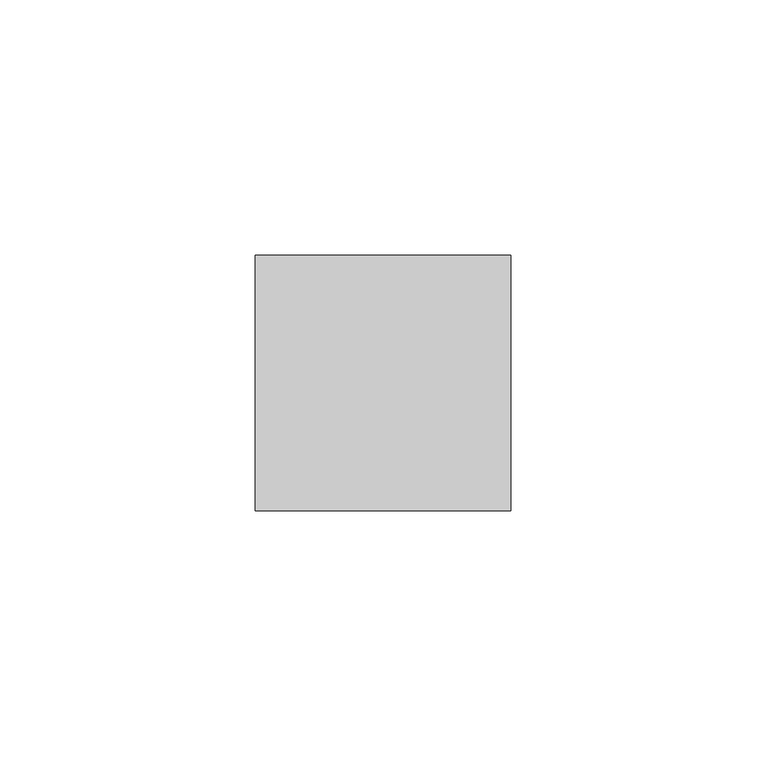
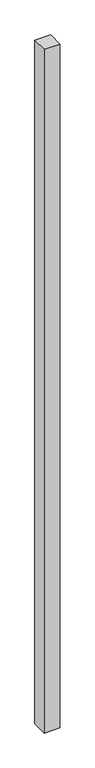
"""IFC4 building model written with IfcOpenShell, lengths in millimetres: member geometry."""

from ifc_helpers import new_model, si_unit, frame, origin, place, context, project, spatial, polyline, outline, extrude, source, transform, mapped, element, save


def member_5a4c4f72(model_context):
    return source(origin(), model_context, "Body", "SweptSolid", [
        extrude(outline(polyline([(25.0, 25.0), (25.0, -25.0), (-25.0, -25.0), (-25.0, 25.0), (25.0, 25.0)])), frame((0.0, 0.0, -2275.0), z_axis=(0.0, 0.0, 1.0), x_axis=(1.0, 0.0, 0.0)), (0.0, 0.0, 1.0), 2275.0),
    ])


if __name__ == "__main__":
    model = new_model("IFC4")
    model_context = context("Model", 3, world=origin())
    ifc_project = project(units=[si_unit("LENGTHUNIT", "METRE", prefix="MILLI")], contexts=[model_context])
    site = spatial("IfcSite", under=ifc_project)
    building = spatial("IfcBuilding", under=site)
    placement = place(None, origin())
    member_shape = member_5a4c4f72(model_context)
    element("IfcMember", 1, at=placement, inside=building, context=model_context, shape_type="MappedRepresentation", body=[
        mapped(member_shape, transform((0.0, 0.0, 0.0), x_axis=(1.0, 0.0, 0.0), y_axis=(0.0, 1.0, 0.0), z_axis=(0.0, 0.0, 1.0))),
    ])
    save(model, "model.ifc")
